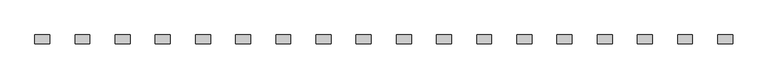
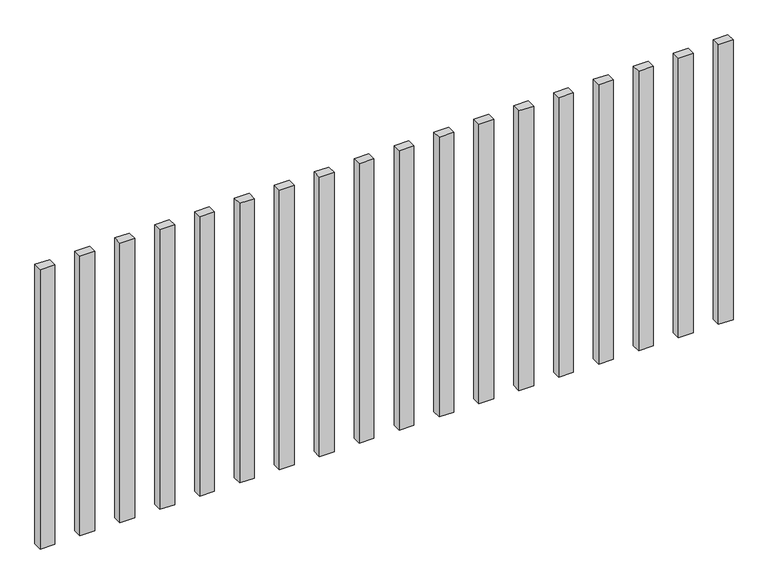
"""IFC4 building model written with IfcOpenShell, lengths in millimetres: railing geometry."""

import ifcopenshell
import ifcopenshell.guid

model = None  # the IFC model being written
_history = None  # IfcOwnerHistory: only IFC2X3 demands one
_inside = {}  # id of a spatial element -> (the spatial element, [elements in it])
_under = {}  # id of a project, library or spatial element -> (it, [spatial elements below it])
_declared = {}  # id of a project -> (the project, [libraries it declares])
_typed = {}  # id of a type object -> (the type object, [elements of that type])
_made_of = {}  # id of a material, layer set ... -> (it, [elements and type objects made of it])


def new_model(schema):
    """Start an empty IFC model of exactly this schema.

    Asked for "IFC4X3", IfcOpenShell would pick the latest addendum, in which some entities
    have other attributes; the version numbers below select the first issue.
    IFC2X3 requires an IfcOwnerHistory on every rooted entity: one is made here for all.
    """
    global model, _history
    if schema == "IFC4X3":
        model = ifcopenshell.file(schema_version=(4, 3, 0, 0))
    else:
        model = ifcopenshell.file(schema=schema)
    _inside.clear()
    _under.clear()
    _declared.clear()
    _typed.clear()
    _made_of.clear()
    _history = None
    if model.schema == "IFC2X3":
        org = make("IfcOrganization", Name="unknown")
        user = make(
            "IfcPersonAndOrganization",
            ThePerson=make("IfcPerson", FamilyName="unknown"),
            TheOrganization=org,
        )
        app = make(
            "IfcApplication",
            ApplicationDeveloper=org,
            Version="unknown",
            ApplicationFullName="unknown",
            ApplicationIdentifier="unknown",
        )
        _history = make(
            "IfcOwnerHistory",
            OwningUser=user,
            OwningApplication=app,
            ChangeAction="ADDED",
            CreationDate=0,
        )
    return model


def make(cls, **values):
    """One entity of the class cls with the attributes given. An attribute that is None is left unset."""
    return model.create_entity(
        cls, **{name: value for name, value in values.items() if value is not None}
    )


def rooted(cls, **values):
    """An entity with a GlobalId (a new one), such as an element, a storey or a relation."""
    return make(cls, GlobalId=ifcopenshell.guid.new(), OwnerHistory=_history, **values)


def si_unit(unit_type, name, prefix=None):
    """IfcSIUnit, for example si_unit("LENGTHUNIT", "METRE", prefix="MILLI")."""
    return make("IfcSIUnit", UnitType=unit_type, Prefix=prefix, Name=name)


def assignment(units):
    """IfcUnitAssignment: the units of a project."""
    return None if units is None else make("IfcUnitAssignment", Units=units)


def point(xyz):
    """IfcCartesianPoint."""
    return None if xyz is None else make("IfcCartesianPoint", Coordinates=xyz)


def direction(xyz):
    """IfcDirection."""
    return None if xyz is None else make("IfcDirection", DirectionRatios=xyz)


def frame(location, z_axis=None, x_axis=None):
    """IfcAxis2Placement3D, a coordinate frame: its origin and axes. An axis left out is left unset."""
    return make(
        "IfcAxis2Placement3D",
        Location=point(location),
        Axis=direction(z_axis),
        RefDirection=direction(x_axis),
    )


def origin():
    """The frame at (0, 0, 0) with its axes left unset."""
    return frame((0.0, 0.0, 0.0))


def origin_with_axes():
    """The frame at (0, 0, 0) with the z axis (0, 0, 1) and the x axis (1, 0, 0) written out."""
    return frame((0.0, 0.0, 0.0), z_axis=(0.0, 0.0, 1.0), x_axis=(1.0, 0.0, 0.0))


def place(relative_to, where):
    """IfcLocalPlacement: puts the frame where relative to a parent placement (None: the world)."""
    return make(
        "IfcLocalPlacement", PlacementRelTo=relative_to, RelativePlacement=where
    )


def context(
    kind, dimensions, precision=None, world=None, true_north=None, identifier=None
):
    """IfcGeometricRepresentationContext, for example the 3D "Model" context."""
    return make(
        "IfcGeometricRepresentationContext",
        ContextIdentifier=identifier,
        ContextType=kind,
        CoordinateSpaceDimension=dimensions,
        Precision=precision,
        WorldCoordinateSystem=world,
        TrueNorth=true_north,
    )


def project(units=None, contexts=None):
    """IfcProject with its units and contexts."""
    return rooted(
        "IfcProject",
        Name="project",
        RepresentationContexts=contexts,
        UnitsInContext=assignment(units),
    )


def spatial(cls, under=None, at=None, **own):
    """A site, building, storey or space (cls), placed at a placement, below another one or the project."""
    s = rooted(cls, ObjectPlacement=at, **own)
    if under is not None:
        _under.setdefault(under.id(), (under, []))[1].append(s)
    return s


def polyline(points):
    """IfcPolyline through the points."""
    return make("IfcPolyline", Points=[point(p) for p in points])


def outline(outer, holes=None, kind="AREA"):
    """IfcArbitraryClosedProfileDef: a profile drawn as a closed curve; with holes, ...WithVoids."""
    if holes is None:
        return make("IfcArbitraryClosedProfileDef", ProfileType=kind, OuterCurve=outer)
    return make(
        "IfcArbitraryProfileDefWithVoids",
        ProfileType=kind,
        OuterCurve=outer,
        InnerCurves=holes,
    )


def extrude(swept, where, along, depth):
    """IfcExtrudedAreaSolid: the profile swept, set in the frame where, extruded along a direction by depth."""
    return make(
        "IfcExtrudedAreaSolid",
        SweptArea=swept,
        Position=where,
        ExtrudedDirection=direction(along),
        Depth=depth,
    )


def shape(context_of_items, identifier, shape_type, items):
    """IfcShapeRepresentation: the items that make up one representation, for example the "Body"."""
    return make(
        "IfcShapeRepresentation",
        ContextOfItems=context_of_items,
        RepresentationIdentifier=identifier,
        RepresentationType=shape_type,
        Items=items,
    )


def source(mapping_origin, context_of_items, identifier, shape_type, items):
    """IfcRepresentationMap: a shape defined once, which mapped items show again and again."""
    return make(
        "IfcRepresentationMap",
        MappingOrigin=mapping_origin,
        MappedRepresentation=shape(context_of_items, identifier, shape_type, items),
    )


def transform(
    local_origin,
    x_axis=None,
    y_axis=None,
    z_axis=None,
    scale=None,
    scale2=None,
    scale3=None,
    uniform=True,
):
    """IfcCartesianTransformationOperator3D, or its non-uniform kind. x_axis, y_axis, z_axis: its Axis1, 2, 3."""
    if uniform:
        return make(
            "IfcCartesianTransformationOperator3D",
            Axis1=direction(x_axis),
            Axis2=direction(y_axis),
            LocalOrigin=point(local_origin),
            Scale=scale,
            Axis3=direction(z_axis),
        )
    return make(
        "IfcCartesianTransformationOperator3DnonUniform",
        Axis1=direction(x_axis),
        Axis2=direction(y_axis),
        LocalOrigin=point(local_origin),
        Scale=scale,
        Axis3=direction(z_axis),
        Scale2=scale2,
        Scale3=scale3,
    )


def mapped(mapping_source, mapping_target):
    """IfcMappedItem: shows the shape of a source again, moved by a transform."""
    return make(
        "IfcMappedItem", MappingSource=mapping_source, MappingTarget=mapping_target
    )


def made_of(thing, what):
    """Note that an element or type object is made of a material, layer set ...; save() writes the relation."""
    if what is not None:
        _made_of.setdefault(what.id(), (what, []))[1].append(thing)
    return thing


def element(
    cls,
    number,
    at=None,
    inside=None,
    cuts=None,
    type_object=None,
    material=None,
    context=None,
    identifier="Body",
    shape_type=None,
    held_by="IfcProductDefinitionShape",
    body=None,
    shapes=None,
    **own,
):
    """One element of the class cls, such as IfcWall. Its Tag is "e" and its number.

    at: its placement. inside: the storey or other place that contains it. cuts: it is an
    opening in that element (IfcRelVoidsElement). A single representation is given by context,
    identifier, shape_type and body (its items); several are given by shapes. held_by: the class
    of the entity that holds the representations. save() writes the other relations.
    """
    e = rooted(cls, Tag="e%d" % number, ObjectPlacement=at, **own)
    if body is not None:
        shapes = [shape(context, identifier, shape_type, body)]
    if shapes is not None:
        e.Representation = make(held_by, Representations=shapes)
    if inside is not None:
        _inside.setdefault(inside.id(), (inside, []))[1].append(e)
    if cuts is not None:
        rooted(
            "IfcRelVoidsElement", RelatingBuildingElement=cuts, RelatedOpeningElement=e
        )
    if type_object is not None:
        _typed.setdefault(type_object.id(), (type_object, []))[1].append(e)
    return made_of(e, material)


def aggregate(whole, parts):
    """IfcRelAggregates: a whole, such as a stair, and the parts it consists of."""
    return rooted("IfcRelAggregates", RelatingObject=whole, RelatedObjects=parts)


def save(model, path):
    """Write the relations noted so far, then the file.

    IfcRelAggregates (storeys below a building ...), IfcRelContainedInSpatialStructure (elements
    in a storey), IfcRelDefinesByType, IfcRelAssociatesMaterial and IfcRelDeclares: one each for
    every whole, place, type object, material and project.
    """
    for whole, parts in _under.values():
        aggregate(whole, parts)
    for where, things in _inside.values():
        rooted(
            "IfcRelContainedInSpatialStructure",
            RelatedElements=things,
            RelatingStructure=where,
        )
    for kind, things in _typed.values():
        rooted("IfcRelDefinesByType", RelatedObjects=things, RelatingType=kind)
    for what, things in _made_of.values():
        rooted("IfcRelAssociatesMaterial", RelatedObjects=things, RelatingMaterial=what)
    for by, libraries in _declared.values():
        rooted("IfcRelDeclares", RelatingContext=by, RelatedDefinitions=libraries)
    model.write(path)


def railing_46b8535a(model_context):
    return source(origin(), model_context, "Body", "SweptSolid", [
        extrude(outline(polyline([(-5907.5700772, -81944.0267127), (-5907.5700772, -81914.0267127), (-5857.5700772, -81914.0267127), (-5857.5700772, -81944.0267127), (-5907.5700772, -81944.0267127)])), origin_with_axes(), (0.0, 0.0, 1.0), 1000.0),
        extrude(outline(polyline([(-6042.5700772, -81944.0267127), (-6042.5700772, -81914.0267127), (-5992.5700772, -81914.0267127), (-5992.5700772, -81944.0267127), (-6042.5700772, -81944.0267127)])), origin_with_axes(), (0.0, 0.0, 1.0), 1000.0),
        extrude(outline(polyline([(-6177.5700772, -81944.0267127), (-6177.5700772, -81914.0267127), (-6127.5700772, -81914.0267127), (-6127.5700772, -81944.0267127), (-6177.5700772, -81944.0267127)])), origin_with_axes(), (0.0, 0.0, 1.0), 1000.0),
        extrude(outline(polyline([(-6312.5700772, -81944.0267127), (-6312.5700772, -81914.0267127), (-6262.5700772, -81914.0267127), (-6262.5700772, -81944.0267127), (-6312.5700772, -81944.0267127)])), origin_with_axes(), (0.0, 0.0, 1.0), 1000.0),
        extrude(outline(polyline([(-6447.5700772, -81944.0267127), (-6447.5700772, -81914.0267127), (-6397.5700772, -81914.0267127), (-6397.5700772, -81944.0267127), (-6447.5700772, -81944.0267127)])), origin_with_axes(), (0.0, 0.0, 1.0), 1000.0),
        extrude(outline(polyline([(-6582.5700772, -81944.0267127), (-6582.5700772, -81914.0267127), (-6532.5700772, -81914.0267127), (-6532.5700772, -81944.0267127), (-6582.5700772, -81944.0267127)])), origin_with_axes(), (0.0, 0.0, 1.0), 1000.0),
        extrude(outline(polyline([(-6717.5700772, -81944.0267127), (-6717.5700772, -81914.0267127), (-6667.5700772, -81914.0267127), (-6667.5700772, -81944.0267127), (-6717.5700772, -81944.0267127)])), origin_with_axes(), (0.0, 0.0, 1.0), 1000.0),
        extrude(outline(polyline([(-6852.5700772, -81944.0267127), (-6852.5700772, -81914.0267127), (-6802.5700772, -81914.0267127), (-6802.5700772, -81944.0267127), (-6852.5700772, -81944.0267127)])), origin_with_axes(), (0.0, 0.0, 1.0), 1000.0),
        extrude(outline(polyline([(-6987.5700772, -81944.0267127), (-6987.5700772, -81914.0267127), (-6937.5700772, -81914.0267127), (-6937.5700772, -81944.0267127), (-6987.5700772, -81944.0267127)])), origin_with_axes(), (0.0, 0.0, 1.0), 1000.0),
        extrude(outline(polyline([(-7122.5700772, -81944.0267127), (-7122.5700772, -81914.0267127), (-7072.5700772, -81914.0267127), (-7072.5700772, -81944.0267127), (-7122.5700772, -81944.0267127)])), origin_with_axes(), (0.0, 0.0, 1.0), 1000.0),
        extrude(outline(polyline([(-7257.5700772, -81944.0267127), (-7257.5700772, -81914.0267127), (-7207.5700772, -81914.0267127), (-7207.5700772, -81944.0267127), (-7257.5700772, -81944.0267127)])), origin_with_axes(), (0.0, 0.0, 1.0), 1000.0),
        extrude(outline(polyline([(-7392.5700772, -81944.0267127), (-7392.5700772, -81914.0267127), (-7342.5700772, -81914.0267127), (-7342.5700772, -81944.0267127), (-7392.5700772, -81944.0267127)])), origin_with_axes(), (0.0, 0.0, 1.0), 1000.0),
        extrude(outline(polyline([(-7527.5700772, -81944.0267127), (-7527.5700772, -81914.0267127), (-7477.5700772, -81914.0267127), (-7477.5700772, -81944.0267127), (-7527.5700772, -81944.0267127)])), origin_with_axes(), (0.0, 0.0, 1.0), 1000.0),
        extrude(outline(polyline([(-7662.5700772, -81944.0267127), (-7662.5700772, -81914.0267127), (-7612.5700772, -81914.0267127), (-7612.5700772, -81944.0267127), (-7662.5700772, -81944.0267127)])), origin_with_axes(), (0.0, 0.0, 1.0), 1000.0),
        extrude(outline(polyline([(-7797.5700772, -81944.0267127), (-7797.5700772, -81914.0267127), (-7747.5700772, -81914.0267127), (-7747.5700772, -81944.0267127), (-7797.5700772, -81944.0267127)])), origin_with_axes(), (0.0, 0.0, 1.0), 1000.0),
        extrude(outline(polyline([(-7932.5700772, -81944.0267127), (-7932.5700772, -81914.0267127), (-7882.5700772, -81914.0267127), (-7882.5700772, -81944.0267127), (-7932.5700772, -81944.0267127)])), origin_with_axes(), (0.0, 0.0, 1.0), 1000.0),
        extrude(outline(polyline([(-8067.5700772, -81944.0267127), (-8067.5700772, -81914.0267127), (-8017.5700772, -81914.0267127), (-8017.5700772, -81944.0267127), (-8067.5700772, -81944.0267127)])), origin_with_axes(), (0.0, 0.0, 1.0), 1000.0),
        extrude(outline(polyline([(-8202.5700772, -81944.0267127), (-8202.5700772, -81914.0267127), (-8152.5700772, -81914.0267127), (-8152.5700772, -81944.0267127), (-8202.5700772, -81944.0267127)])), origin_with_axes(), (0.0, 0.0, 1.0), 1000.0),
    ])


if __name__ == "__main__":
    model = new_model("IFC4")
    model_context = context("Model", 3, world=origin())
    ifc_project = project(units=[si_unit("LENGTHUNIT", "METRE", prefix="MILLI")], contexts=[model_context])
    site = spatial("IfcSite", under=ifc_project)
    building = spatial("IfcBuilding", under=site)
    placement = place(None, origin())
    railing_shape = railing_46b8535a(model_context)
    element("IfcRailing", 1, at=placement, inside=building, context=model_context, shape_type="MappedRepresentation", body=[
        mapped(railing_shape, transform((0.0, 0.0, 0.0), x_axis=(1.0, 0.0, 0.0), y_axis=(0.0, 1.0, 0.0), z_axis=(0.0, 0.0, 1.0))),
    ])
    save(model, "model.ifc")
